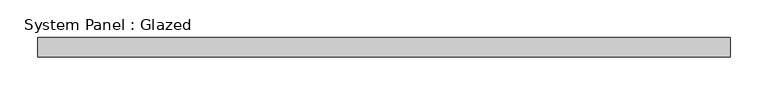
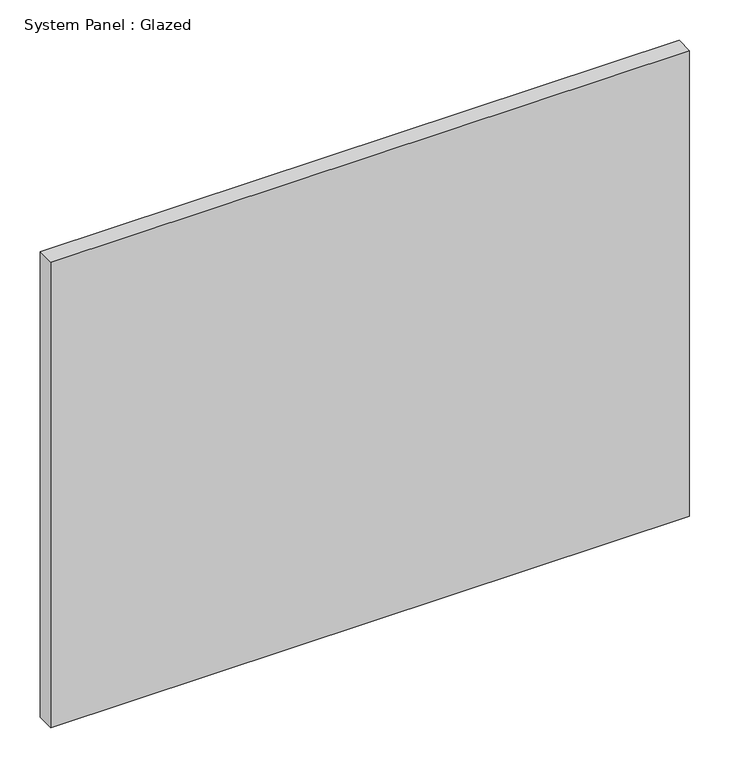
"""IFC4 building model written with IfcOpenShell, lengths in millimetres: plate geometry, System Panel : Glazed."""

from ifc_helpers import new_model, si_unit, origin, origin_with_axes, place, context, project, spatial, polyline, outline, extrude, source, transform, mapped, element, save


def system_panel_glazed_5f18606f(model_context):
    return source(origin(), model_context, "Body", "SweptSolid", [
        extrude(outline(polyline([(457.3, 19.05), (-457.3, 19.05), (-457.3, 44.45), (457.3, 44.45), (457.3, 19.05)])), origin_with_axes(), (0.0, 0.0, 1.0), 704.75),
    ])


if __name__ == "__main__":
    model = new_model("IFC4")
    model_context = context("Model", 3, world=origin())
    ifc_project = project(units=[si_unit("LENGTHUNIT", "METRE", prefix="MILLI")], contexts=[model_context])
    site = spatial("IfcSite", under=ifc_project)
    building = spatial("IfcBuilding", under=site)
    placement = place(None, origin())
    system_panel_glazed_shape = system_panel_glazed_5f18606f(model_context)
    element("IfcPlate", 1, ObjectType="System Panel : Glazed", at=placement, inside=building, context=model_context, shape_type="MappedRepresentation", body=[
        mapped(system_panel_glazed_shape, transform((0.0, 0.0, 0.0), x_axis=(1.0, 0.0, 0.0), y_axis=(0.0, 1.0, 0.0), z_axis=(0.0, 0.0, 1.0))),
    ])
    save(model, "model.ifc")
